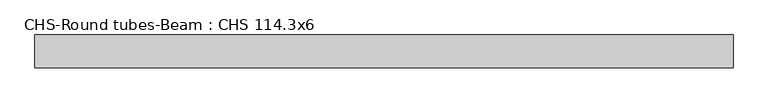
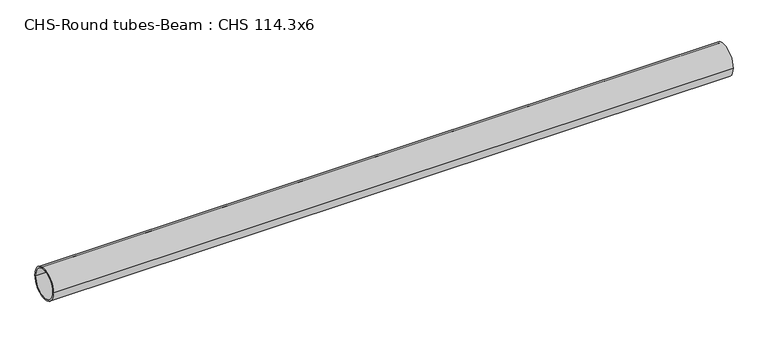
"""IFC4 building model written with IfcOpenShell, lengths in millimetres: beam geometry, CHS-Round tubes-Beam : CHS 114.3x6."""

from ifc_helpers import new_model, si_unit, point, frame, origin, origin_2d, place, context, project, spatial, circle_curve, trimmed, segment, composite_curve, outline, extrude, source, transform, mapped, element, save


def chs_round_tubes_beam_chs_114_3x6_4f9c2903(model_context):
    return source(origin(), model_context, "Body", "SweptSolid", [
        extrude(outline(composite_curve([segment(trimmed(circle_curve(origin_2d(), 57.15), [point((57.15, 0.0))], [point((-57.15, 0.0))], False, "CARTESIAN"), True, "CONTINUOUS"), segment(trimmed(circle_curve(origin_2d(), 57.15), [point((-57.15, 0.0))], [point((57.15, 0.0))], False, "CARTESIAN"), True, "CONTINUOUS")], self_intersect=False), holes=[composite_curve([segment(trimmed(circle_curve(origin_2d(), 51.15), [point((51.15, 0.0))], [point((-51.15, 0.0))], True, "CARTESIAN"), True, "CONTINUOUS"), segment(trimmed(circle_curve(origin_2d(), 51.15), [point((-51.15, 0.0))], [point((51.15, 0.0))], True, "CARTESIAN"), True, "CONTINUOUS")], self_intersect=False)]), frame((-1053.9795639, 0.0, 0.0), z_axis=(1.0, 0.0, 0.0), x_axis=(0.0, 1.0, 0.0)), (0.0, 0.0, 1.0), 2434.8956775),
    ])


if __name__ == "__main__":
    model = new_model("IFC4")
    model_context = context("Model", 3, world=origin())
    ifc_project = project(units=[si_unit("LENGTHUNIT", "METRE", prefix="MILLI")], contexts=[model_context])
    site = spatial("IfcSite", under=ifc_project)
    building = spatial("IfcBuilding", under=site)
    placement = place(None, origin())
    chs_round_tubes_beam_chs_114_3x6_shape = chs_round_tubes_beam_chs_114_3x6_4f9c2903(model_context)
    element("IfcBeam", 1, ObjectType="CHS-Round tubes-Beam : CHS 114.3x6", at=placement, inside=building, context=model_context, shape_type="MappedRepresentation", body=[
        mapped(chs_round_tubes_beam_chs_114_3x6_shape, transform((0.0, 0.0, 0.0), x_axis=(1.0, 0.0, 0.0), y_axis=(0.0, 1.0, 0.0), z_axis=(0.0, 0.0, 1.0))),
    ])
    save(model, "model.ifc")
